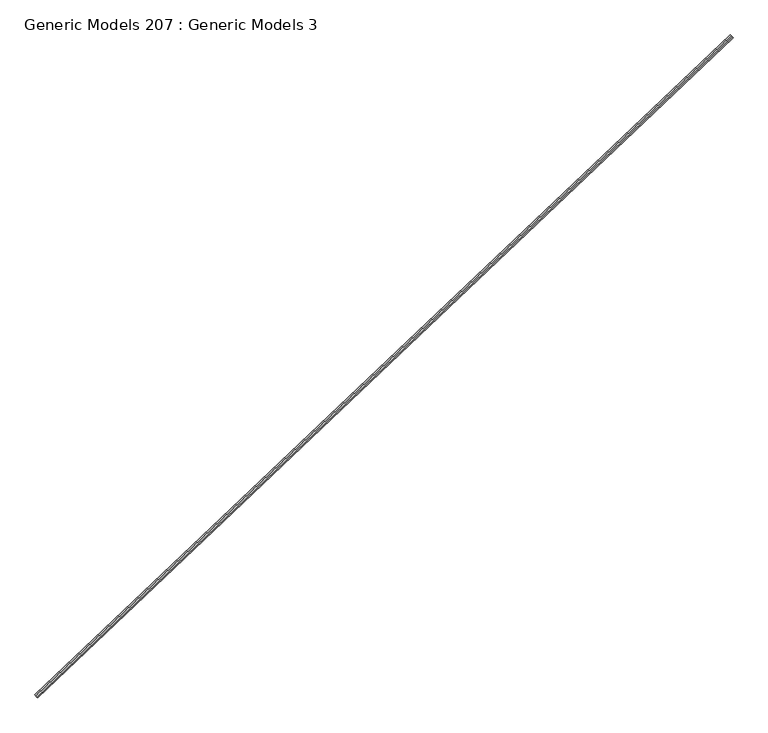
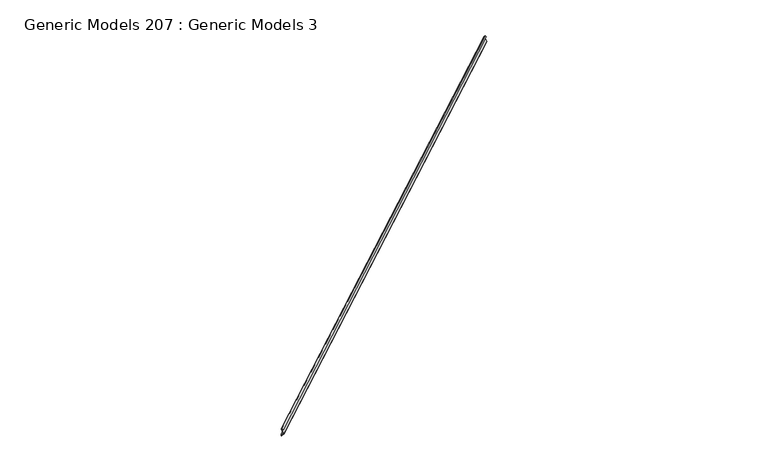
"""IFC4 building model written with IfcOpenShell, lengths in millimetres: proxy geometry, Generic Models 207 : Generic Models 3."""

from ifc_helpers import new_model, si_unit, frame, origin, place, context, project, spatial, polyline, outline, extrude, source, transform, mapped, element, save


def generic_models_207_generic_models_3_13a66895(model_context):
    return source(origin(), model_context, "Body", "SweptSolid", [
        extrude(outline(polyline([(8.0204368, 0.0), (20.1911635, -39.8086533), (25.1200542, -40.2398754), (25.9773534, -30.4409011), (27.5588124, -30.5792608), (26.5631536, -41.9596943), (18.9860961, -41.2967876), (6.8457486, -1.5875), (-11.3157433, -1.5875), (-3.7191913, -10.6407181), (-4.9352869, -11.6611435), (-14.7201481, 0.0), (8.0204368, 0.0)])), frame((100078.488906, 56966.7942355, 17619.0846044), z_axis=(0.7253743710122987, 0.6883545756937425, 0.0), x_axis=(0.5273101976056829, -0.5556690060948632, 0.6427876096865921)), (0.0, 0.0, 1.0), 4530.725),
    ])


if __name__ == "__main__":
    model = new_model("IFC4")
    model_context = context("Model", 3, world=origin())
    ifc_project = project(units=[si_unit("LENGTHUNIT", "METRE", prefix="MILLI")], contexts=[model_context])
    site = spatial("IfcSite", under=ifc_project)
    building = spatial("IfcBuilding", under=site)
    placement = place(None, origin())
    generic_models_207_generic_models_3_shape = generic_models_207_generic_models_3_13a66895(model_context)
    element("IfcBuildingElementProxy", 1, Name="Generic Models 207 : Generic Models 3", ObjectType="Generic Models 207 : Generic Models 3", at=placement, inside=building, context=model_context, shape_type="MappedRepresentation", body=[
        mapped(generic_models_207_generic_models_3_shape, transform((0.0, 0.0, 0.0), x_axis=(1.0, 0.0, 0.0), y_axis=(0.0, 1.0, 0.0), z_axis=(0.0, 0.0, 1.0))),
    ])
    save(model, "model.ifc")
